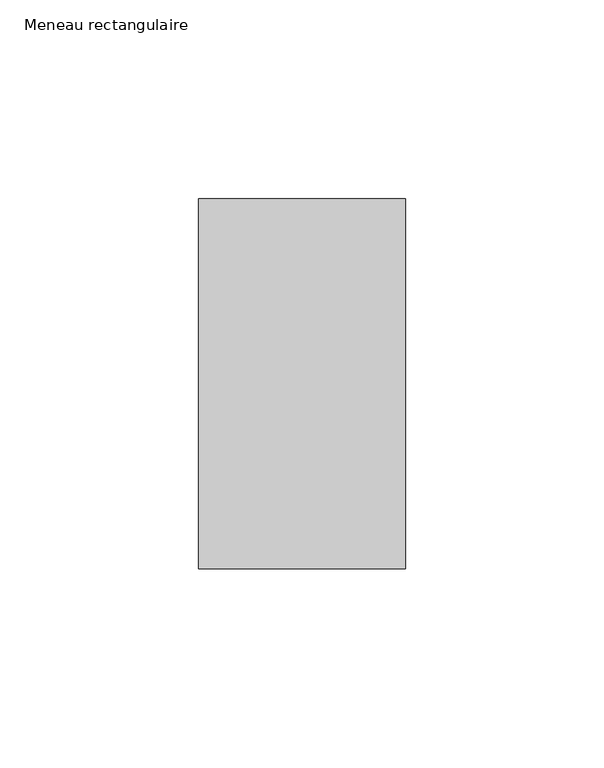
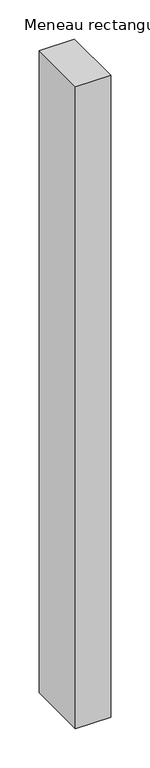
"""IFC4 building model written with IfcOpenShell, lengths in millimetres: member geometry, Meneau rectangulaire."""

from ifc_helpers import new_model, si_unit, frame, origin, place, context, project, spatial, polyline, outline, extrude, source, transform, mapped, element, save


def meneau_rectangulaire_a3a9dfae(model_context):
    return source(origin(), model_context, "Body", "SweptSolid", [
        extrude(outline(polyline([(-52.0, 46.5), (0.0, 46.5), (0.0, -46.5), (-52.0, -46.5), (-52.0, 46.5)])), frame((0.0, 0.0, -1002.8830686), z_axis=(0.0, 0.0, 1.0), x_axis=(1.0, 0.0, 0.0)), (0.0, 0.0, 1.0), 1002.8830686),
    ])


if __name__ == "__main__":
    model = new_model("IFC4")
    model_context = context("Model", 3, world=origin())
    ifc_project = project(units=[si_unit("LENGTHUNIT", "METRE", prefix="MILLI")], contexts=[model_context])
    site = spatial("IfcSite", under=ifc_project)
    building = spatial("IfcBuilding", under=site)
    placement = place(None, origin())
    meneau_rectangulaire_shape = meneau_rectangulaire_a3a9dfae(model_context)
    element("IfcMember", 1, ObjectType="Meneau rectangulaire", at=placement, inside=building, context=model_context, shape_type="MappedRepresentation", body=[
        mapped(meneau_rectangulaire_shape, transform((0.0, 0.0, 0.0), x_axis=(1.0, 0.0, 0.0), y_axis=(0.0, 1.0, 0.0), z_axis=(0.0, 0.0, 1.0))),
    ])
    save(model, "model.ifc")
